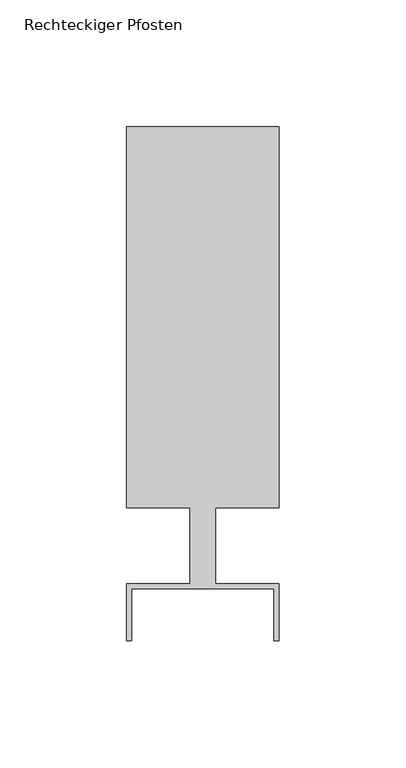
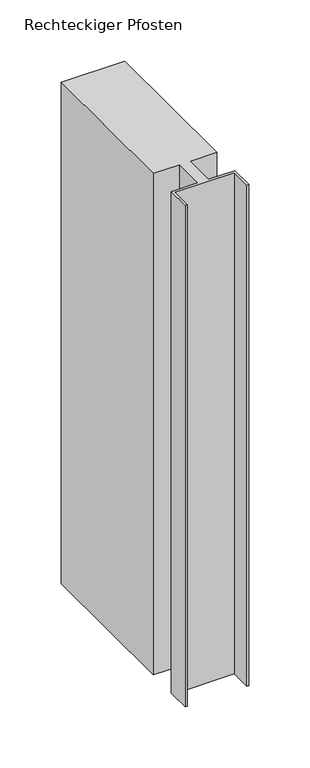
"""IFC4 building model written with IfcOpenShell, lengths in millimetres: member geometry, Rechteckiger Pfosten."""

from ifc_helpers import new_model, si_unit, frame, origin, place, context, project, spatial, polyline, outline, extrude, source, transform, mapped, element, save


def rechteckiger_pfosten_b32838ce(model_context):
    return source(origin(), model_context, "Body", "SweptSolid", [
        extrude(outline(polyline([(-2.0, -37.5), (-2.0, -17.0), (-58.0, -17.0), (-58.0, -37.5), (-60.0, -37.5), (-60.0, -15.0), (-35.0, -15.0), (-35.0, 15.0), (-60.0, 15.0), (-60.0, 165.0), (0.0, 165.0), (0.0, 15.0), (-25.0, 15.0), (-25.0, -15.0), (0.0, -15.0), (0.0, -37.5), (-2.0, -37.5)])), frame((0.0, 0.0, -500.0), z_axis=(0.0, 0.0, 1.0), x_axis=(1.0, 0.0, 0.0)), (0.0, 0.0, 1.0), 500.0),
    ])


if __name__ == "__main__":
    model = new_model("IFC4")
    model_context = context("Model", 3, world=origin())
    ifc_project = project(units=[si_unit("LENGTHUNIT", "METRE", prefix="MILLI")], contexts=[model_context])
    site = spatial("IfcSite", under=ifc_project)
    building = spatial("IfcBuilding", under=site)
    placement = place(None, origin())
    rechteckiger_pfosten_shape = rechteckiger_pfosten_b32838ce(model_context)
    element("IfcMember", 1, ObjectType="Rechteckiger Pfosten", at=placement, inside=building, context=model_context, shape_type="MappedRepresentation", body=[
        mapped(rechteckiger_pfosten_shape, transform((0.0, 0.0, 0.0), x_axis=(1.0, 0.0, 0.0), y_axis=(0.0, 1.0, 0.0), z_axis=(0.0, 0.0, 1.0))),
    ])
    save(model, "model.ifc")
